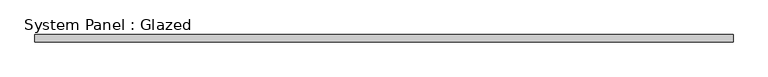
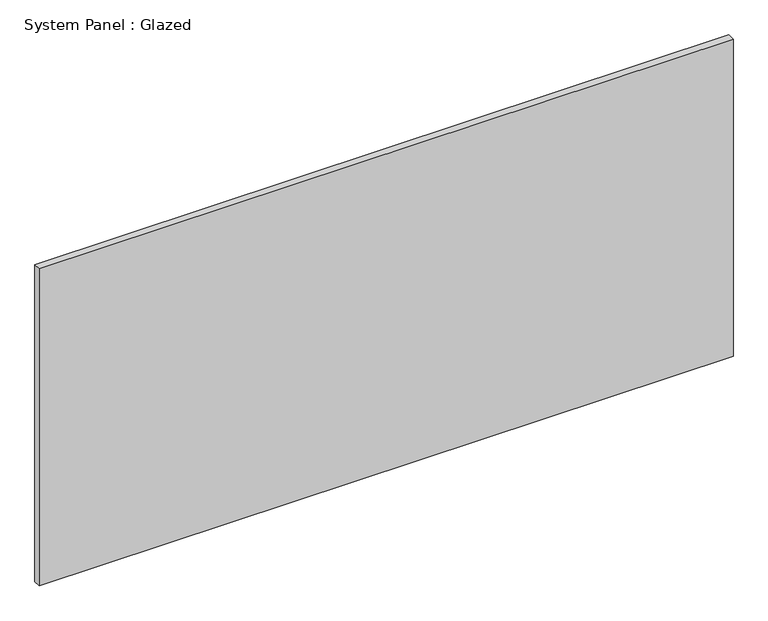
"""IFC4 building model written with IfcOpenShell, lengths in millimetres: plate geometry, System Panel : Glazed."""

from ifc_helpers import new_model, si_unit, origin, origin_with_axes, place, context, project, spatial, polyline, outline, extrude, source, transform, mapped, element, save


def system_panel_glazed_1baffb3a(model_context):
    return source(origin(), model_context, "Body", "SweptSolid", [
        extrude(outline(polyline([(1196.6516214, 19.05), (-1196.6516214, 19.05), (-1196.6516214, 44.45), (1196.6516214, 44.45), (1196.6516214, 19.05)])), origin_with_axes(), (0.0, 0.0, 1.0), 1155.7),
    ])


if __name__ == "__main__":
    model = new_model("IFC4")
    model_context = context("Model", 3, world=origin())
    ifc_project = project(units=[si_unit("LENGTHUNIT", "METRE", prefix="MILLI")], contexts=[model_context])
    site = spatial("IfcSite", under=ifc_project)
    building = spatial("IfcBuilding", under=site)
    placement = place(None, origin())
    system_panel_glazed_shape = system_panel_glazed_1baffb3a(model_context)
    element("IfcPlate", 1, ObjectType="System Panel : Glazed", at=placement, inside=building, context=model_context, shape_type="MappedRepresentation", body=[
        mapped(system_panel_glazed_shape, transform((0.0, 0.0, 0.0), x_axis=(1.0, 0.0, 0.0), y_axis=(0.0, 1.0, 0.0), z_axis=(0.0, 0.0, 1.0))),
    ])
    save(model, "model.ifc")
